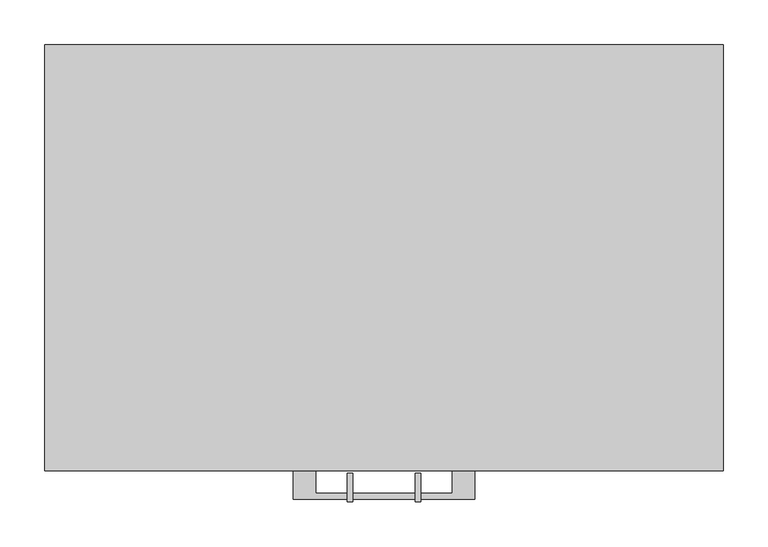
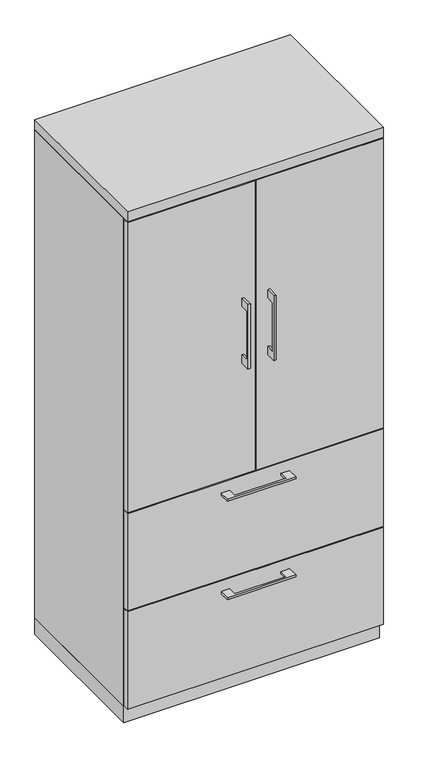
"""IFC4 building model written with IfcOpenShell, lengths in millimetres: furniture geometry."""

from ifc_helpers import new_model, si_unit, frame, origin, origin_with_axes, place, context, project, spatial, polyline, outline, extrude, source, transform, mapped, element, save


def furniture_a235a578(model_context):
    return source(origin(), model_context, "Body", "SweptSolid", [
        extrude(outline(polyline([(360.3625, -19.05), (360.3625, -457.2), (-360.3625, -457.2), (-360.3625, -19.05), (360.3625, -19.05)])), frame((0.0, 0.0, 1267.8833333), z_axis=(0.0, 0.0, 1.0), x_axis=(1.0, 0.0, 0.0)), (0.0, 0.0, 1.0), 19.05),
        extrude(outline(polyline([(-479.425, 1200.15), (-504.8249758, 1200.15), (-504.8249758, 1047.75), (-479.425, 1047.75), (-479.425, 1022.35), (-511.1749879, 1022.35), (-511.1749879, 1225.55), (-479.425, 1225.55), (-479.425, 1200.15)])), frame((-41.2749879, 0.0, 0.0), z_axis=(1.0, 0.0, 0.0), x_axis=(0.0, 1.0, 0.0)), (0.0, 0.0, 1.0), 6.3499758),
        extrude(outline(polyline([(-379.4125, -476.25), (-379.4125, -457.2), (-1.5875, -457.2), (-1.5875, -476.25), (-379.4125, -476.25)])), frame((0.0, 0.0, 669.925), z_axis=(0.0, 0.0, 1.0), x_axis=(1.0, 0.0, 0.0)), (0.0, 0.0, 1.0), 908.05),
        extrude(outline(polyline([(-479.425, 1200.15), (-504.8249758, 1200.15), (-504.8249758, 1047.75), (-479.425, 1047.75), (-479.425, 1022.35), (-511.1749879, 1022.35), (-511.1749879, 1225.55), (-479.425, 1225.55), (-479.425, 1200.15)])), frame((34.9250121, 0.0, 0.0), z_axis=(1.0, 0.0, 0.0), x_axis=(0.0, 1.0, 0.0)), (0.0, 0.0, 1.0), 6.3499758),
        extrude(outline(polyline([(379.4125, -476.25), (1.5875, -476.25), (1.5875, -457.2), (379.4125, -457.2), (379.4125, -476.25)])), frame((0.0, 0.0, 669.925), z_axis=(0.0, 0.0, 1.0), x_axis=(1.0, 0.0, 0.0)), (0.0, 0.0, 1.0), 908.05),
        extrude(outline(polyline([(360.3625, -19.05), (360.3625, -457.2), (-360.3625, -457.2), (-360.3625, -19.05), (360.3625, -19.05)])), frame((0.0, 0.0, 964.1416667), z_axis=(0.0, 0.0, 1.0), x_axis=(1.0, 0.0, 0.0)), (0.0, 0.0, 1.0), 19.05),
        extrude(outline(polyline([(-76.1999818, -476.25), (-76.1999818, -501.6499758), (76.2, -501.6499758), (76.2, -476.25), (101.5999939, -476.25), (101.5999939, -507.9999879), (-101.5999939, -507.9999879), (-101.5999939, -476.25), (-76.1999818, -476.25)])), frame((0.0, 0.0, 627.0625506), z_axis=(0.0, 0.0, 1.0), x_axis=(1.0, 0.0, 0.0)), (0.0, 0.0, 1.0), 6.3499758),
        extrude(outline(polyline([(379.4125, -457.2), (379.4125, -476.25), (-379.4125, -476.25), (-379.4125, -457.2), (379.4125, -457.2)])), frame((0.0, 0.0, 361.95), z_axis=(0.0, 0.0, 1.0), x_axis=(1.0, 0.0, 0.0)), (0.0, 0.0, 1.0), 304.8),
        extrude(outline(polyline([(-76.1999818, -476.25), (-76.1999818, -501.6499758), (76.2, -501.6499758), (76.2, -476.25), (101.5999939, -476.25), (101.5999939, -507.9999879), (-101.5999939, -507.9999879), (-101.5999939, -476.25), (-76.1999818, -476.25)])), frame((0.0, 0.0, 319.0875506), z_axis=(0.0, 0.0, 1.0), x_axis=(1.0, 0.0, 0.0)), (0.0, 0.0, 1.0), 6.3499758),
        extrude(outline(polyline([(379.4125, -457.2), (379.4125, -476.25), (-379.4125, -476.25), (-379.4125, -457.2), (379.4125, -457.2)])), frame((0.0, 0.0, 53.975), z_axis=(0.0, 0.0, 1.0), x_axis=(1.0, 0.0, 0.0)), (0.0, 0.0, 1.0), 304.8),
        extrude(outline(polyline([(360.3625, -19.05), (360.3625, -457.2), (-360.3625, -457.2), (-360.3625, -19.05), (360.3625, -19.05)])), frame((0.0, 0.0, 50.8), z_axis=(0.0, 0.0, 1.0), x_axis=(1.0, 0.0, 0.0)), (0.0, 0.0, 1.0), 619.125),
        extrude(outline(polyline([(-379.4125, 0.0), (379.4125, 0.0), (379.4125, -457.2), (360.3625, -457.2), (360.3625, -19.05), (-360.3625, -19.05), (-360.3625, -457.2), (-379.4125, -457.2), (-379.4125, 0.0)])), frame((0.0, 0.0, 50.8), z_axis=(0.0, 0.0, 1.0), x_axis=(1.0, 0.0, 0.0)), (0.0, 0.0, 1.0), 1530.35),
        extrude(outline(polyline([(379.4125, 0.0), (379.4125, -476.25), (-379.4125, -476.25), (-379.4125, 0.0), (379.4125, 0.0)])), frame((0.0, 0.0, 1581.15), z_axis=(0.0, 0.0, 1.0), x_axis=(1.0, 0.0, 0.0)), (0.0, 0.0, 1.0), 31.75),
        extrude(outline(polyline([(379.4125, 0.0), (379.4125, -457.2), (-379.4125, -457.2), (-379.4125, 0.0), (379.4125, 0.0)])), origin_with_axes(), (0.0, 0.0, 1.0), 50.8),
    ])


if __name__ == "__main__":
    model = new_model("IFC4")
    model_context = context("Model", 3, world=origin())
    ifc_project = project(units=[si_unit("LENGTHUNIT", "METRE", prefix="MILLI")], contexts=[model_context])
    site = spatial("IfcSite", under=ifc_project)
    building = spatial("IfcBuilding", under=site)
    placement = place(None, origin())
    furniture_shape = furniture_a235a578(model_context)
    element("IfcFurniture", 1, at=placement, inside=building, context=model_context, shape_type="MappedRepresentation", body=[
        mapped(furniture_shape, transform((0.0, 0.0, 0.0), x_axis=(1.0, 0.0, 0.0), y_axis=(0.0, 1.0, 0.0), z_axis=(0.0, 0.0, 1.0))),
    ])
    save(model, "model.ifc")
